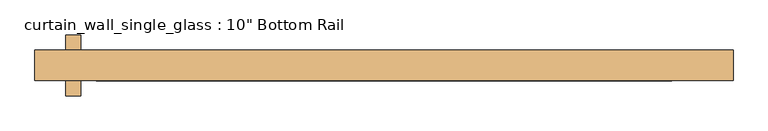
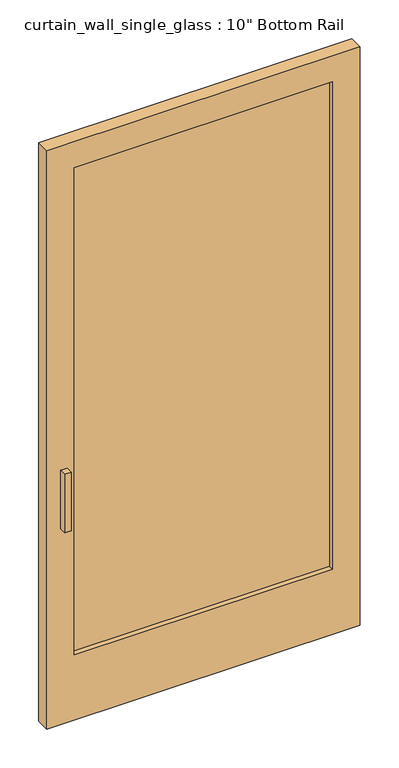
"""IFC4 building model written with IfcOpenShell, lengths in millimetres: door geometry."""

from ifc_helpers import new_model, si_unit, frame, origin, place, context, project, spatial, polyline, outline, extrude, source, transform, mapped, element, save


def door_2bc47c48(model_context):
    return source(origin(), model_context, "Body", "SweptSolid", [
        extrude(outline(polyline([(476.25, -6.35), (-476.25, -6.35), (-476.25, 6.35), (476.25, 6.35), (476.25, -6.35)])), frame((0.0, 0.0, 254.0), z_axis=(0.0, 0.0, 1.0), x_axis=(1.0, 0.0, 0.0)), (0.0, 0.0, 1.0), 1898.65),
        extrude(outline(polyline([(2254.25, -577.7592903), (0.0, -577.7592903), (0.0, 577.85), (2254.25, 577.85), (2254.25, -577.7592903)]), holes=[polyline([(2152.65, 476.25), (254.0, 476.25), (254.0, -476.25), (2152.65, -476.25), (2152.65, 476.25)])]), frame((0.0, -25.4, 0.0), z_axis=(0.0, 1.0, 0.0), x_axis=(0.0, 0.0, 1.0)), (0.0, 0.0, 1.0), 50.8),
        extrude(outline(polyline([(-501.6500001, -50.8), (-527.0500001, -50.8), (-527.0500001, 0.0), (-501.6500001, 0.0), (-501.6500001, -50.8)])), frame((0.0, 0.0, 762.0), z_axis=(0.0, 0.0, 1.0), x_axis=(1.0, 0.0, 0.0)), (0.0, 0.0, 1.0), 228.6),
        extrude(outline(polyline([(-527.0500001, 50.8), (-501.6500001, 50.8), (-501.6500001, 0.0), (-527.0500001, 0.0), (-527.0500001, 50.8)])), frame((0.0, 0.0, 762.0), z_axis=(0.0, 0.0, 1.0), x_axis=(1.0, 0.0, 0.0)), (0.0, 0.0, 1.0), 228.6),
    ])


if __name__ == "__main__":
    model = new_model("IFC4")
    model_context = context("Model", 3, world=origin())
    ifc_project = project(units=[si_unit("LENGTHUNIT", "METRE", prefix="MILLI")], contexts=[model_context])
    site = spatial("IfcSite", under=ifc_project)
    building = spatial("IfcBuilding", under=site)
    placement = place(None, origin())
    door_shape = door_2bc47c48(model_context)
    element("IfcDoor", 1, ObjectType="curtain_wall_single_glass : 10\" Bottom Rail", at=placement, inside=building, context=model_context, shape_type="MappedRepresentation", body=[
        mapped(door_shape, transform((0.0, 0.0, 0.0), x_axis=(1.0, 0.0, 0.0), y_axis=(0.0, 1.0, 0.0), z_axis=(0.0, 0.0, 1.0))),
    ])
    save(model, "model.ifc")
